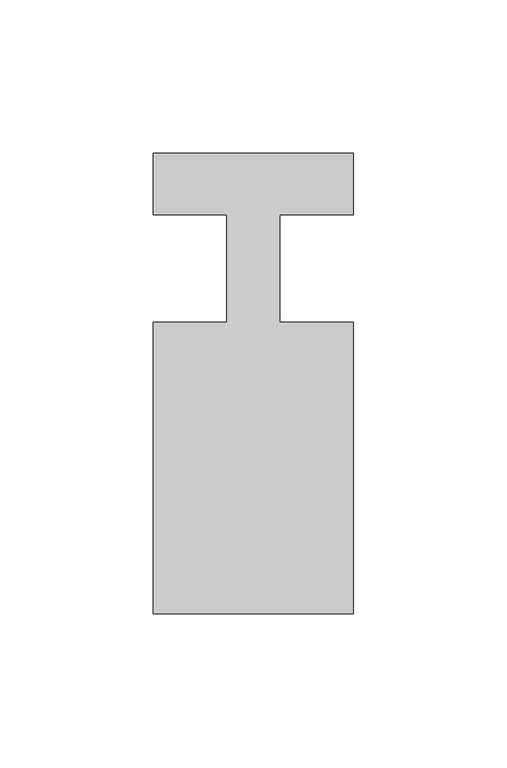
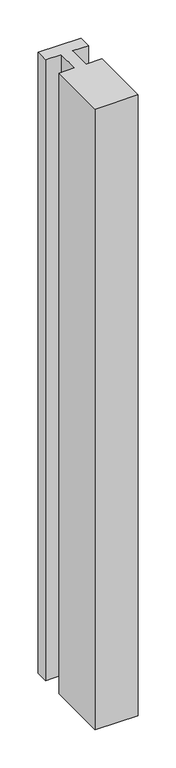
"""IFC4 building model written with IfcOpenShell, lengths in millimetres: member geometry."""

from ifc_helpers import new_model, si_unit, frame, origin, place, context, project, spatial, polyline, outline, extrude, source, transform, mapped, element, save


def member_4a442a92(model_context):
    return source(origin(), model_context, "Body", "SweptSolid", [
        extrude(outline(polyline([(0.0, 37.0), (0.0, 17.0), (-23.8125, 17.0), (-23.8125, -18.0), (0.0, -18.0), (0.0, -113.0), (-65.0, -113.0), (-65.0, -18.0), (-41.1875, -18.0), (-41.1875, 17.0), (-65.0, 17.0), (-65.0, 37.0), (0.0, 37.0)])), frame((0.0, 0.0, -993.625), z_axis=(0.0, 0.0, 1.0), x_axis=(1.0, 0.0, 0.0)), (0.0, 0.0, 1.0), 993.625),
    ])


if __name__ == "__main__":
    model = new_model("IFC4")
    model_context = context("Model", 3, world=origin())
    ifc_project = project(units=[si_unit("LENGTHUNIT", "METRE", prefix="MILLI")], contexts=[model_context])
    site = spatial("IfcSite", under=ifc_project)
    building = spatial("IfcBuilding", under=site)
    placement = place(None, origin())
    member_shape = member_4a442a92(model_context)
    element("IfcMember", 1, at=placement, inside=building, context=model_context, shape_type="MappedRepresentation", body=[
        mapped(member_shape, transform((0.0, 0.0, 0.0), x_axis=(1.0, 0.0, 0.0), y_axis=(0.0, 1.0, 0.0), z_axis=(0.0, 0.0, 1.0))),
    ])
    save(model, "model.ifc")
